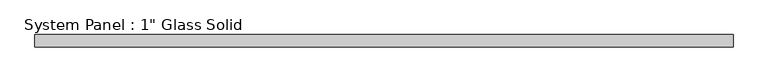
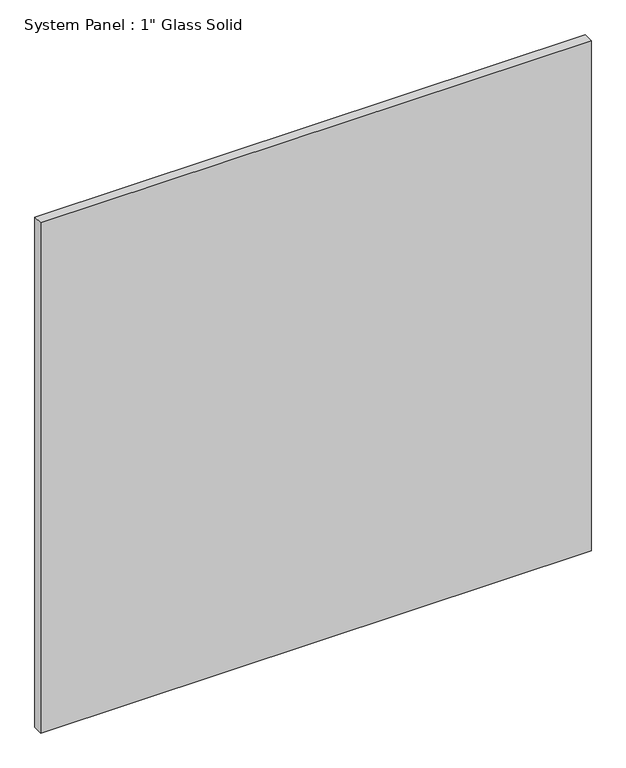
"""IFC4 building model written with IfcOpenShell, lengths in millimetres: plate geometry."""

from ifc_helpers import new_model, si_unit, origin, origin_with_axes, place, context, project, spatial, polyline, outline, extrude, source, transform, mapped, element, save


def plate_6e07acbd(model_context):
    return source(origin(), model_context, "Body", "SweptSolid", [
        extrude(outline(polyline([(716.4429024, -12.7), (-716.4429024, -12.7), (-716.4429024, 12.7), (716.4429024, 12.7), (716.4429024, -12.7)])), origin_with_axes(), (0.0, 0.0, 1.0), 1404.0991382),
    ])


if __name__ == "__main__":
    model = new_model("IFC4")
    model_context = context("Model", 3, world=origin())
    ifc_project = project(units=[si_unit("LENGTHUNIT", "METRE", prefix="MILLI")], contexts=[model_context])
    site = spatial("IfcSite", under=ifc_project)
    building = spatial("IfcBuilding", under=site)
    placement = place(None, origin())
    plate_shape = plate_6e07acbd(model_context)
    element("IfcPlate", 1, ObjectType="System Panel : 1\" Glass Solid", at=placement, inside=building, context=model_context, shape_type="MappedRepresentation", body=[
        mapped(plate_shape, transform((0.0, 0.0, 0.0), x_axis=(1.0, 0.0, 0.0), y_axis=(0.0, 1.0, 0.0), z_axis=(0.0, 0.0, 1.0))),
    ])
    save(model, "model.ifc")
